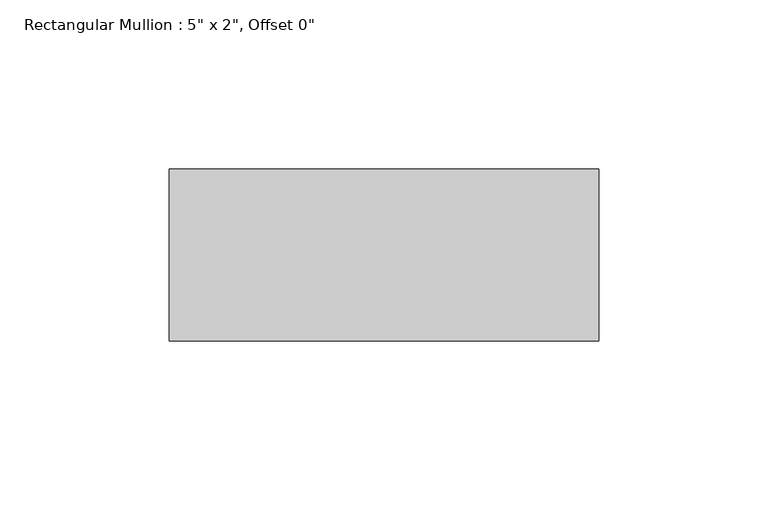
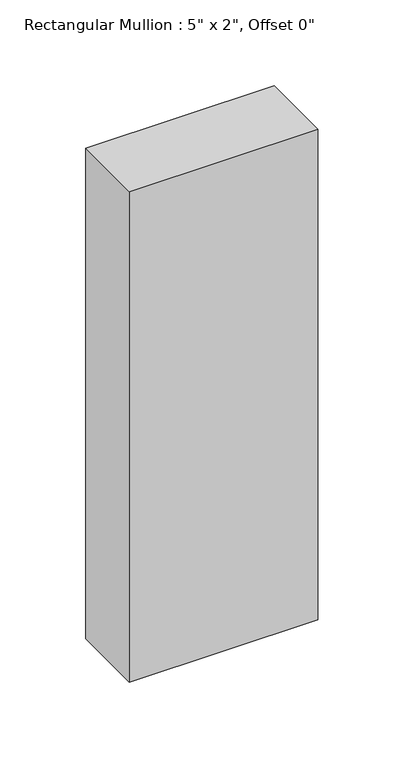
"""IFC4 building model written with IfcOpenShell, lengths in millimetres: member geometry."""

from ifc_helpers import new_model, si_unit, frame, origin, place, context, project, spatial, polyline, outline, extrude, source, transform, mapped, element, save


def member_858388a0(model_context):
    return source(origin(), model_context, "Body", "SweptSolid", [
        extrude(outline(polyline([(0.0, 25.4), (0.0, -25.4), (-127.0, -25.4), (-127.0, 25.4), (0.0, 25.4)])), frame((0.0, 0.0, -349.25), z_axis=(0.0, 0.0, 1.0), x_axis=(1.0, 0.0, 0.0)), (0.0, 0.0, 1.0), 349.25),
    ])


if __name__ == "__main__":
    model = new_model("IFC4")
    model_context = context("Model", 3, world=origin())
    ifc_project = project(units=[si_unit("LENGTHUNIT", "METRE", prefix="MILLI")], contexts=[model_context])
    site = spatial("IfcSite", under=ifc_project)
    building = spatial("IfcBuilding", under=site)
    placement = place(None, origin())
    member_shape = member_858388a0(model_context)
    element("IfcMember", 1, ObjectType="Rectangular Mullion : 5\" x 2\", Offset 0\"", at=placement, inside=building, context=model_context, shape_type="MappedRepresentation", body=[
        mapped(member_shape, transform((0.0, 0.0, 0.0), x_axis=(1.0, 0.0, 0.0), y_axis=(0.0, 1.0, 0.0), z_axis=(0.0, 0.0, 1.0))),
    ])
    save(model, "model.ifc")
